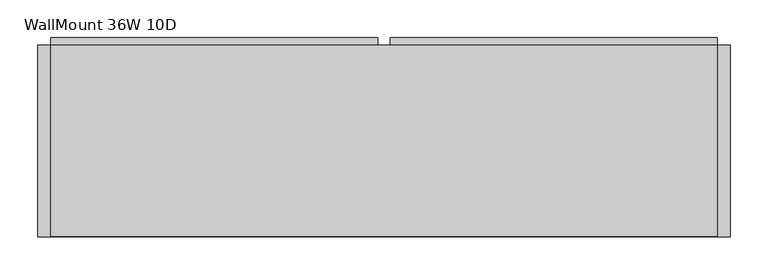
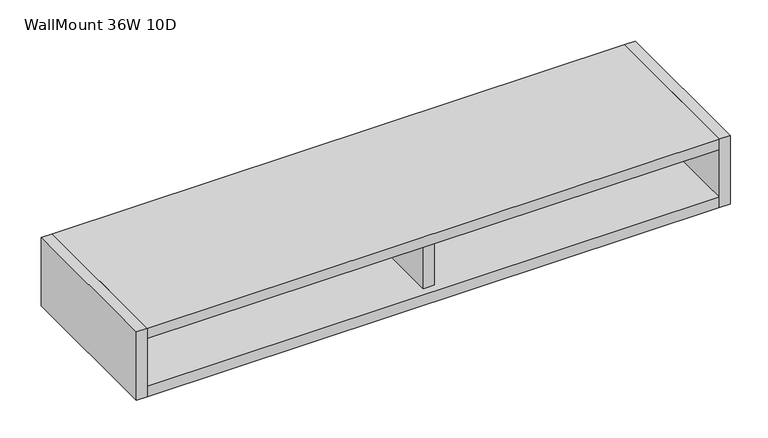
"""IFC4 building model written with IfcOpenShell, lengths in millimetres: furniture geometry, WallMount 36W 10D."""

from ifc_helpers import new_model, si_unit, frame, origin, place, context, project, spatial, polyline, outline, extrude, source, transform, mapped, element, save


def wallmount_36w_10d_d1c4e8b4(model_context):
    return source(origin(), model_context, "Body", "SweptSolid", [
        extrude(outline(polyline([(897.4074326, -262.7375965), (16.9671843, -262.7375965), (16.9671843, -9.525), (897.4074326, -9.525), (897.4074326, -262.7375965)])), frame((0.0, 0.0, 1084.7323992), z_axis=(0.0, 0.0, 1.0), x_axis=(1.0, 0.0, 0.0)), (0.0, 0.0, 1.0), 16.9926038),
        extrude(outline(polyline([(897.4074326, -9.525), (897.4074326, -29.3623997), (16.9671843, -29.3623997), (16.9671843, -9.525), (897.4074326, -9.525)])), frame((0.0, 0.0, 1007.5926004), z_axis=(0.0, 0.0, 1.0), x_axis=(1.0, 0.0, 0.0)), (0.0, 0.0, 1.0), 77.1397989),
        extrude(outline(polyline([(16.9671843, -9.525), (16.9671843, 0.0), (448.6910247, 0.0), (448.6910247, -9.525), (16.9671843, -9.525)])), frame((0.0, 0.0, 1007.5926004), z_axis=(0.0, 0.0, 1.0), x_axis=(1.0, 0.0, 0.0)), (0.0, 0.0, 1.0), 77.1397989),
        extrude(outline(polyline([(897.4074326, 0.0), (897.4074326, -9.525), (465.6835921, -9.525), (465.6835921, 0.0), (897.4074326, 0.0)])), frame((0.0, 0.0, 1007.5926004), z_axis=(0.0, 0.0, 1.0), x_axis=(1.0, 0.0, 0.0)), (0.0, 0.0, 1.0), 77.1397989),
        extrude(outline(polyline([(16.9671843, -263.5249939), (0.0, -263.5249939), (0.0, -9.525), (16.9671843, -9.525), (16.9671843, -263.5249939)])), frame((0.0, 0.0, 990.6), z_axis=(0.0, 0.0, 1.0), x_axis=(1.0, 0.0, 0.0)), (0.0, 0.0, 1.0), 111.125003),
        extrude(outline(polyline([(914.4, -263.5249939), (897.4074326, -263.5249939), (897.4074326, -9.525), (914.4, -9.525), (914.4, -263.5249939)])), frame((0.0, 0.0, 990.6), z_axis=(0.0, 0.0, 1.0), x_axis=(1.0, 0.0, 0.0)), (0.0, 0.0, 1.0), 111.125003),
        extrude(outline(polyline([(465.6835921, -250.8250061), (448.6910247, -250.8250061), (448.6910247, -29.3623997), (465.6835921, -29.3623997), (465.6835921, -250.8250061)])), frame((0.0, 0.0, 1007.5926004), z_axis=(0.0, 0.0, 1.0), x_axis=(1.0, 0.0, 0.0)), (0.0, 0.0, 1.0), 77.1397989),
        extrude(outline(polyline([(897.4074326, -9.525), (897.4074326, -263.5249939), (16.9671843, -263.5249939), (16.9671843, -9.525), (897.4074326, -9.525)])), frame((0.0, 0.0, 990.6), z_axis=(0.0, 0.0, 1.0), x_axis=(1.0, 0.0, 0.0)), (0.0, 0.0, 1.0), 16.9926004),
    ])


if __name__ == "__main__":
    model = new_model("IFC4")
    model_context = context("Model", 3, world=origin())
    ifc_project = project(units=[si_unit("LENGTHUNIT", "METRE", prefix="MILLI")], contexts=[model_context])
    site = spatial("IfcSite", under=ifc_project)
    building = spatial("IfcBuilding", under=site)
    placement = place(None, origin())
    wallmount_36w_10d_shape = wallmount_36w_10d_d1c4e8b4(model_context)
    element("IfcFurniture", 1, ObjectType="WallMount 36W 10D", at=placement, inside=building, context=model_context, shape_type="MappedRepresentation", body=[
        mapped(wallmount_36w_10d_shape, transform((0.0, 0.0, 0.0), x_axis=(1.0, 0.0, 0.0), y_axis=(0.0, 1.0, 0.0), z_axis=(0.0, 0.0, 1.0))),
    ])
    save(model, "model.ifc")
